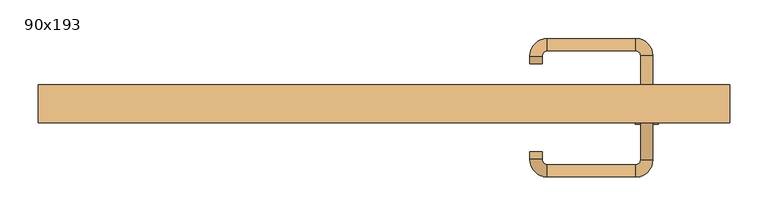
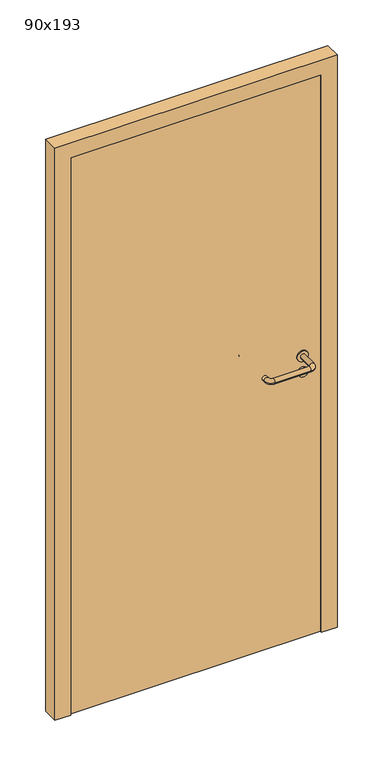
"""IFC4 building model written with IfcOpenShell, lengths in millimetres: door geometry, 90x193."""

from ifc_helpers import new_model, si_unit, point, frame, frame_2d, origin, origin_with_axes, place, context, project, spatial, polyline, circle_curve, ellipse_curve, trimmed, segment, composite_curve, outline, extrude, source, transform, mapped, element, save
from ifc_brep_helpers import plane_surface, cylinder_surface, revolved_surface, advanced_brep


def door_90x193_67691bf1(model_context):
    return source(origin(), model_context, "Body", "SolidModel", [
        extrude(outline(composite_curve([segment(trimmed(circle_curve(frame_2d((897.3605726, 342.0)), 15.0), [point((897.3605726, 357.0))], [point((897.3605726, 327.0))], False, "CARTESIAN"), True, "CONTINUOUS"), segment(trimmed(circle_curve(frame_2d((897.3605726, 342.0)), 15.0), [point((897.3605726, 327.0))], [point((897.3605726, 357.0))], False, "CARTESIAN"), True, "CONTINUOUS")], self_intersect=False), holes=[composite_curve([segment(trimmed(circle_curve(frame_2d((892.5833211, 341.9398032)), 2.0), [point((892.5833211, 343.9398032))], [point((892.5833211, 339.9398032))], True, "CARTESIAN"), True, "CONTINUOUS"), segment(polyline([(892.5833211, 339.9398032), (902.5833211, 339.9398032)]), True, "CONTINUOUS"), segment(trimmed(circle_curve(frame_2d((902.5833211, 341.9398032)), 2.0), [point((902.5833211, 339.9398032))], [point((902.5833211, 343.9398032))], True, "CARTESIAN"), True, "CONTINUOUS"), segment(polyline([(902.5833211, 343.9398032), (892.5833211, 343.9398032)]), True, "CONTINUOUS")], self_intersect=False)]), frame((0.0, -15.0, 0.0), z_axis=(0.0, 1.0, 0.0), x_axis=(0.0, 0.0, 1.0)), (0.0, 0.0, 1.0), 6.35),
        extrude(outline(composite_curve([segment(trimmed(circle_curve(frame_2d((950.0, 342.0)), 17.526), [point((950.0, 359.526))], [point((950.0, 324.474))], False, "CARTESIAN"), True, "CONTINUOUS"), segment(trimmed(circle_curve(frame_2d((950.0, 342.0)), 17.526), [point((950.0, 324.474))], [point((950.0, 359.526))], False, "CARTESIAN"), True, "CONTINUOUS")], self_intersect=False)), frame((0.0, -15.0, 0.0), z_axis=(0.0, 1.0, 0.0), x_axis=(0.0, 0.0, 1.0)), (0.0, 0.0, 1.0), 3.175),
        advanced_brep(
        [(350.0, -15.0, 950.0), (334.0, -15.0, 950.0), (350.0, 38.0, 950.0), (334.0, 38.0, 950.0), (327.8578644, 44.1421356, 950.0), (327.8578644, 60.1421356, 950.0), (212.8578644, 60.1421356, 950.0), (212.8578644, 44.1421356, 950.0), (206.008622, 37.2928932, 950.0), (190.008622, 37.2928932, 950.0), (190.008622, 27.2928932, 950.0), (206.008622, 27.2928932, 950.0)],
        [
            (0, 1, circle_curve(frame((342.0, -15.0, 950.0), z_axis=(0.0, -1.0, 0.0), x_axis=(-1.0, 0.0, 0.0)), 8.0)),
            (1, 0, circle_curve(frame((342.0, -15.0, 950.0), z_axis=(0.0, -1.0, 0.0), x_axis=(-1.0, 0.0, 0.0)), 8.0)),
            (0, 2),
            (2, 3, circle_curve(frame((342.0, 38.0, 950.0), z_axis=(0.0, -1.0, 0.0), x_axis=(-1.0, 0.0, 0.0)), 8.0)),
            (3, 1),
            (3, 2, circle_curve(frame((342.0, 38.0, 950.0), z_axis=(0.0, -1.0, 0.0), x_axis=(-1.0, 0.0, 0.0)), 8.0)),
            (4, 3, circle_curve(frame((327.8578644, 38.0, 950.0), z_axis=(0.0, 0.0, -1.0), x_axis=(1.0, 0.0, 0.0)), 6.1421356)),
            (2, 5, circle_curve(frame((327.8578644, 38.0, 950.0), z_axis=(0.0, 0.0, 1.0), x_axis=(1.0, 0.0, 0.0)), 22.1421356)),
            (5, 4, circle_curve(frame((327.8578644, 52.1421356, 950.0), z_axis=(1.0, 0.0, 0.0), x_axis=(0.0, -1.0, 0.0)), 8.0)),
            (4, 5, circle_curve(frame((327.8578644, 52.1421356, 950.0), z_axis=(1.0, 0.0, 0.0), x_axis=(0.0, -1.0, 0.0)), 8.0)),
            (5, 6),
            (6, 7, circle_curve(frame((212.8578644, 52.1421356, 950.0), z_axis=(1.0, 0.0, 0.0), x_axis=(0.0, -1.0, 0.0)), 8.0)),
            (7, 4),
            (7, 6, circle_curve(frame((212.8578644, 52.1421356, 950.0), z_axis=(1.0, 0.0, 0.0), x_axis=(0.0, -1.0, 0.0)), 8.0)),
            (8, 7, circle_curve(frame((212.8578644, 37.2928932, 950.0), z_axis=(0.0, 0.0, -1.0), x_axis=(0.0, 1.0, 0.0)), 6.8492424)),
            (6, 9, circle_curve(frame((212.8578644, 37.2928932, 950.0), z_axis=(0.0, 0.0, 1.0), x_axis=(0.0, 1.0, 0.0)), 22.8492424)),
            (9, 8, circle_curve(frame((198.008622, 37.2928932, 950.0), z_axis=(0.0, 1.0, 0.0), x_axis=(1.0, 0.0, 0.0)), 8.0)),
            (8, 9, circle_curve(frame((198.008622, 37.2928932, 950.0), z_axis=(0.0, 1.0, 0.0), x_axis=(1.0, 0.0, 0.0)), 8.0)),
            (10, 11, circle_curve(frame((198.008622, 27.2928932, 950.0), z_axis=(0.0, -1.0, 0.0), x_axis=(1.0, 0.0, 0.0)), 8.0)),
            (11, 10, circle_curve(frame((198.008622, 27.2928932, 950.0), z_axis=(0.0, -1.0, 0.0), x_axis=(1.0, 0.0, 0.0)), 8.0)),
            (9, 10),
            (11, 8),
        ],
        [
            plane_surface(frame((342.0, -15.0, 170.0), z_axis=(0.0, -1.0, 0.0), x_axis=(0.0, 0.0, 1.0))),
            cylinder_surface(frame((342.0, -15.0, 950.0), z_axis=(0.0, -1.0, 0.0), x_axis=(-1.0, 0.0, 0.0)), 8.0),
            revolved_surface(trimmed(ellipse_curve(frame((342.0, 38.0, 950.0), z_axis=(0.0, -1.0, 0.0), x_axis=(-1.0, 0.0, 0.0)), 8.0, 8.0), [point((350.0, 38.0, 950.0))], [point((334.0, 38.0, 950.0))], True, "CARTESIAN"), (327.8578644, 38.0, 170.0), (0.0, 0.0, 1.0)),
            revolved_surface(trimmed(ellipse_curve(frame((342.0, 38.0, 950.0), z_axis=(0.0, -1.0, 0.0), x_axis=(-1.0, 0.0, 0.0)), 8.0, 8.0), [point((334.0, 38.0, 950.0))], [point((350.0, 38.0, 950.0))], True, "CARTESIAN"), (327.8578644, 38.0, 170.0), (0.0, 0.0, 1.0)),
            cylinder_surface(frame((327.8578644, 52.1421356, 950.0), z_axis=(1.0, 0.0, 0.0), x_axis=(0.0, -1.0, 0.0)), 8.0),
            revolved_surface(trimmed(ellipse_curve(frame((212.8578644, 52.1421356, 950.0), z_axis=(1.0, 0.0, 0.0), x_axis=(0.0, -1.0, 0.0)), 8.0, 8.0), [point((212.8578644, 60.1421356, 950.0))], [point((212.8578644, 44.1421356, 950.0))], True, "CARTESIAN"), (212.8578644, 37.2928932, 170.0), (0.0, 0.0, 1.0)),
            revolved_surface(trimmed(ellipse_curve(frame((212.8578644, 52.1421356, 950.0), z_axis=(1.0, 0.0, 0.0), x_axis=(0.0, -1.0, 0.0)), 8.0, 8.0), [point((212.8578644, 44.1421356, 950.0))], [point((212.8578644, 60.1421356, 950.0))], True, "CARTESIAN"), (212.8578644, 37.2928932, 170.0), (0.0, 0.0, 1.0)),
            plane_surface(frame((198.008622, 27.2928932, 170.0), z_axis=(0.0, -1.0, 0.0), x_axis=(0.0, 0.0, 1.0))),
            cylinder_surface(frame((198.008622, 37.2928932, 950.0), z_axis=(0.0, 1.0, 0.0), x_axis=(1.0, 0.0, 0.0)), 8.0),
        ],
        [
            (0, [[1, 2]]),
            (1, [[-1, 3, 4, 5]]),
            (1, [[-2, -5, 6, -3]]),
            (2, [[7, -4, 8, 9]]),
            (3, [[-8, -6, -7, 10]]),
            (4, [[-9, 11, 12, 13]]),
            (4, [[-10, -13, 14, -11]]),
            (5, [[15, -12, 16, 17]]),
            (6, [[-16, -14, -15, 18]]),
            (7, [[19, 20]]),
            (8, [[-17, 21, -20, 22]]),
            (8, [[-18, -22, -19, -21]]),
        ],
    ),
        extrude(outline(composite_curve([segment(trimmed(circle_curve(frame_2d((0.0, 15.0)), 15.0), [point((0.0, 30.0))], [point((0.0, 0.0))], False, "CARTESIAN"), True, "CONTINUOUS"), segment(trimmed(circle_curve(frame_2d((0.0, 15.0)), 15.0), [point((0.0, 0.0))], [point((0.0, 30.0))], False, "CARTESIAN"), True, "CONTINUOUS")], self_intersect=False), holes=[composite_curve([segment(trimmed(circle_curve(frame_2d((-4.7772515, 14.9398032)), 2.0), [point((-4.7772515, 16.9398032))], [point((-4.7772515, 12.9398032))], True, "CARTESIAN"), True, "CONTINUOUS"), segment(polyline([(-4.7772515, 12.9398032), (5.2227485, 12.9398032)]), True, "CONTINUOUS"), segment(trimmed(circle_curve(frame_2d((5.2227485, 14.9398032)), 2.0), [point((5.2227485, 12.9398032))], [point((5.2227485, 16.9398032))], True, "CARTESIAN"), True, "CONTINUOUS"), segment(polyline([(5.2227485, 16.9398032), (-4.7772515, 16.9398032)]), True, "CONTINUOUS")], self_intersect=False)]), frame((327.0, -51.35, 897.3605726), z_axis=(-1.8870575173328306e-12, 1.0, 0.0), x_axis=(0.0, 0.0, 1.0)), (0.0, 0.0, 1.0), 6.35),
        extrude(outline(composite_curve([segment(trimmed(circle_curve(frame_2d((0.0, 17.526)), 17.526), [point((0.0, 35.052))], [point((0.0, 0.0))], False, "CARTESIAN"), True, "CONTINUOUS"), segment(trimmed(circle_curve(frame_2d((0.0, 17.526)), 17.526), [point((0.0, 0.0))], [point((0.0, 35.052))], False, "CARTESIAN"), True, "CONTINUOUS")], self_intersect=False)), frame((324.474, -48.175, 950.0), z_axis=(-1.8870575173328306e-12, 1.0, 0.0), x_axis=(0.0, 0.0, 1.0)), (0.0, 0.0, 1.0), 3.175),
        advanced_brep(
        [(350.0, -45.0, 950.0), (334.0, -45.0, 950.0), (334.0, -98.0, 950.0), (350.0, -98.0, 950.0), (327.8578644, -104.1421356, 950.0), (327.8578644, -120.1421356, 950.0), (212.8578644, -104.1421356, 950.0), (212.8578644, -120.1421356, 950.0), (206.008622, -97.2928932, 950.0), (190.008622, -97.2928932, 950.0), (190.008622, -87.2928932, 950.0), (206.008622, -87.2928932, 950.0)],
        [
            (0, 1, circle_curve(frame((342.0, -45.0, 950.0), z_axis=(-1.888672253512351e-12, 1.0, 0.0), x_axis=(-1.0, -1.888672253512351e-12, 0.0)), 8.0)),
            (1, 0, circle_curve(frame((342.0, -45.0, 950.0), z_axis=(-1.888672253512351e-12, 1.0, 0.0), x_axis=(-1.0, -1.888672253512351e-12, 0.0)), 8.0)),
            (1, 2),
            (2, 3, circle_curve(frame((342.0, -98.0, 950.0), z_axis=(-1.888672253512351e-12, 1.0, 0.0), x_axis=(-1.0, -1.888672253512351e-12, 0.0)), 8.0)),
            (3, 0),
            (3, 2, circle_curve(frame((342.0, -98.0, 950.0), z_axis=(-1.888672253512351e-12, 1.0, 0.0), x_axis=(-1.0, -1.888672253512351e-12, 0.0)), 8.0)),
            (4, 5, circle_curve(frame((327.8578644, -112.1421356, 950.0), z_axis=(1.0, 1.913702061528922e-12, 0.0), x_axis=(-1.913702061528922e-12, 1.0, 0.0)), 8.0)),
            (5, 3, circle_curve(frame((327.8578644, -98.0, 950.0), z_axis=(0.0, 0.0, 1.0), x_axis=(1.0, 1.880717803715015e-12, 0.0)), 22.1421356)),
            (2, 4, circle_curve(frame((327.8578644, -98.0, 950.0), z_axis=(0.0, 0.0, -1.0), x_axis=(1.0, 1.880717803715015e-12, 0.0)), 6.1421356)),
            (5, 4, circle_curve(frame((327.8578644, -112.1421356, 950.0), z_axis=(1.0, 1.913702061528922e-12, 0.0), x_axis=(-1.913702061528922e-12, 1.0, 0.0)), 8.0)),
            (4, 6),
            (6, 7, circle_curve(frame((212.8578644, -112.1421356, 950.0), z_axis=(1.0, 1.913719828541269e-12, 0.0), x_axis=(-1.913719828541269e-12, 1.0, 0.0)), 8.0)),
            (7, 5),
            (7, 6, circle_curve(frame((212.8578644, -112.1421356, 950.0), z_axis=(1.0, 1.913719828541269e-12, 0.0), x_axis=(-1.913719828541269e-12, 1.0, 0.0)), 8.0)),
            (8, 9, circle_curve(frame((198.008622, -97.2928932, 950.0), z_axis=(1.890226565746826e-12, -1.0, 0.0), x_axis=(1.0, 1.890226565746826e-12, 0.0)), 8.0)),
            (9, 7, circle_curve(frame((212.8578644, -97.2928932, 950.0), z_axis=(0.0, 0.0, 1.0), x_axis=(1.9120873253494017e-12, -1.0, 0.0)), 22.8492424)),
            (6, 8, circle_curve(frame((212.8578644, -97.2928932, 950.0), z_axis=(0.0, 0.0, -1.0), x_axis=(1.9120873253494017e-12, -1.0, 0.0)), 6.8492424)),
            (9, 8, circle_curve(frame((198.008622, -97.2928932, 950.0), z_axis=(1.890670654956676e-12, -1.0, 0.0), x_axis=(1.0, 1.890670654956676e-12, 0.0)), 8.0)),
            (10, 11, circle_curve(frame((198.008622, -87.2928932, 950.0), z_axis=(-1.8903642334018795e-12, 1.0, 0.0), x_axis=(1.0, 1.8903642334018795e-12, 0.0)), 8.0)),
            (11, 10, circle_curve(frame((198.008622, -87.2928932, 950.0), z_axis=(-1.8903642334018795e-12, 1.0, 0.0), x_axis=(1.0, 1.8903642334018795e-12, 0.0)), 8.0)),
            (8, 11),
            (10, 9),
        ],
        [
            plane_surface(frame((342.0, -45.0, 170.0), z_axis=(-1.8870575173328306e-12, 1.0, 0.0), x_axis=(0.0, 0.0, 1.0))),
            cylinder_surface(frame((342.0, -45.0, 950.0), z_axis=(-1.888672253512351e-12, 1.0, 0.0), x_axis=(-1.0, -1.888672253512351e-12, 0.0)), 8.0),
            revolved_surface(trimmed(ellipse_curve(frame((342.0, -98.0, 950.0), z_axis=(1.8823325398945356e-12, -1.0, 0.0), x_axis=(-1.0, -1.8823325398945356e-12, 0.0)), 8.0, 8.0), [point((350.0, -98.0, 950.0))], [point((334.0, -98.0, 950.0))], True, "CARTESIAN"), (327.8578644, -98.0, 170.0), (0.0, 0.0, 1.0)),
            revolved_surface(trimmed(ellipse_curve(frame((342.0, -98.0, 950.0), z_axis=(1.8823325398945356e-12, -1.0, 0.0), x_axis=(-1.0, -1.8823325398945356e-12, 0.0)), 8.0, 8.0), [point((334.0, -98.0, 950.0))], [point((350.0, -98.0, 950.0))], True, "CARTESIAN"), (327.8578644, -98.0, 170.0), (0.0, 0.0, 1.0)),
            cylinder_surface(frame((327.8578644, -112.1421356, 950.0), z_axis=(1.0, 1.913719828541269e-12, 0.0), x_axis=(-1.913719828541269e-12, 1.0, 0.0)), 8.0),
            revolved_surface(trimmed(ellipse_curve(frame((212.8578644, -112.1421356, 950.0), z_axis=(-1.0, -1.913702061528922e-12, 0.0), x_axis=(-1.913702061528922e-12, 1.0, 0.0)), 8.0, 8.0), [point((212.8578644, -120.1421356, 950.0))], [point((212.8578644, -104.1421356, 950.0))], True, "CARTESIAN"), (212.8578644, -97.2928932, 170.0), (0.0, 0.0, 1.0)),
            revolved_surface(trimmed(ellipse_curve(frame((212.8578644, -112.1421356, 950.0), z_axis=(-1.0, -1.913702061528922e-12, 0.0), x_axis=(-1.913702061528922e-12, 1.0, 0.0)), 8.0, 8.0), [point((212.8578644, -104.1421356, 950.0))], [point((212.8578644, -120.1421356, 950.0))], True, "CARTESIAN"), (212.8578644, -97.2928932, 170.0), (0.0, 0.0, 1.0)),
            plane_surface(frame((198.008622, -87.2928932, 170.0), z_axis=(-1.8887494972223595e-12, 1.0, 0.0), x_axis=(0.0, 0.0, 1.0))),
            cylinder_surface(frame((198.008622, -97.2928932, 950.0), z_axis=(1.8903642334018795e-12, -1.0, 0.0), x_axis=(1.0, 1.8903642334018795e-12, 0.0)), 8.0),
        ],
        [
            (0, [[1, 2]]),
            (1, [[3, 4, 5, -2]]),
            (1, [[-5, 6, -3, -1]]),
            (2, [[7, 8, -4, 9]]),
            (3, [[10, -9, -6, -8]]),
            (4, [[11, 12, 13, -7]]),
            (4, [[-13, 14, -11, -10]]),
            (5, [[15, 16, -12, 17]]),
            (6, [[18, -17, -14, -16]]),
            (7, [[19, 20]]),
            (8, [[21, -19, 22, -15]]),
            (8, [[-22, -20, -21, -18]]),
        ],
    ),
        extrude(outline(polyline([(1880.0, 400.0), (0.0, 400.0), (0.0, 450.0), (1930.0, 450.0), (1930.0, -450.0), (0.0, -450.0), (0.0, -400.0), (1880.0, -400.0), (1880.0, 400.0)])), frame((0.0, -50.0, 0.0), z_axis=(0.0, 1.0, 0.0), x_axis=(0.0, 0.0, 1.0)), (0.0, 0.0, 1.0), 50.0),
        extrude(outline(polyline([(-400.0, -45.0), (-400.0, -15.0), (400.0, -15.0), (400.0, -45.0), (-400.0, -45.0)])), origin_with_axes(), (0.0, 0.0, 1.0), 1880.0),
    ])


if __name__ == "__main__":
    model = new_model("IFC4")
    model_context = context("Model", 3, world=origin())
    ifc_project = project(units=[si_unit("LENGTHUNIT", "METRE", prefix="MILLI")], contexts=[model_context])
    site = spatial("IfcSite", under=ifc_project)
    building = spatial("IfcBuilding", under=site)
    placement = place(None, origin())
    door_90x193_shape = door_90x193_67691bf1(model_context)
    element("IfcDoor", 1, ObjectType="90x193", at=placement, inside=building, context=model_context, shape_type="MappedRepresentation", body=[
        mapped(door_90x193_shape, transform((0.0, 0.0, 0.0), x_axis=(1.0, 0.0, 0.0), y_axis=(0.0, 1.0, 0.0), z_axis=(0.0, 0.0, 1.0))),
    ])
    save(model, "model.ifc")
